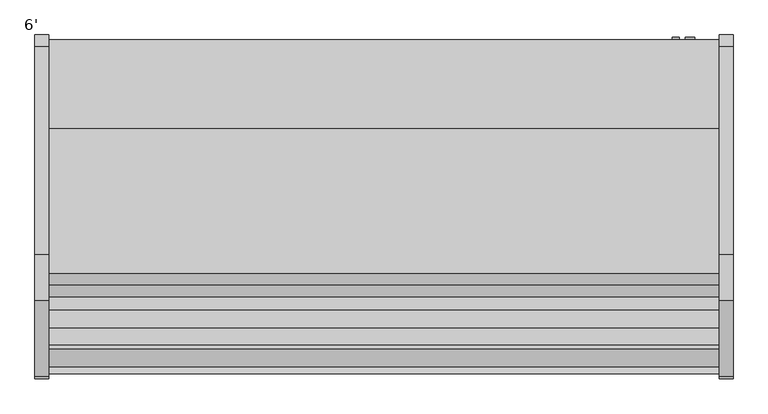
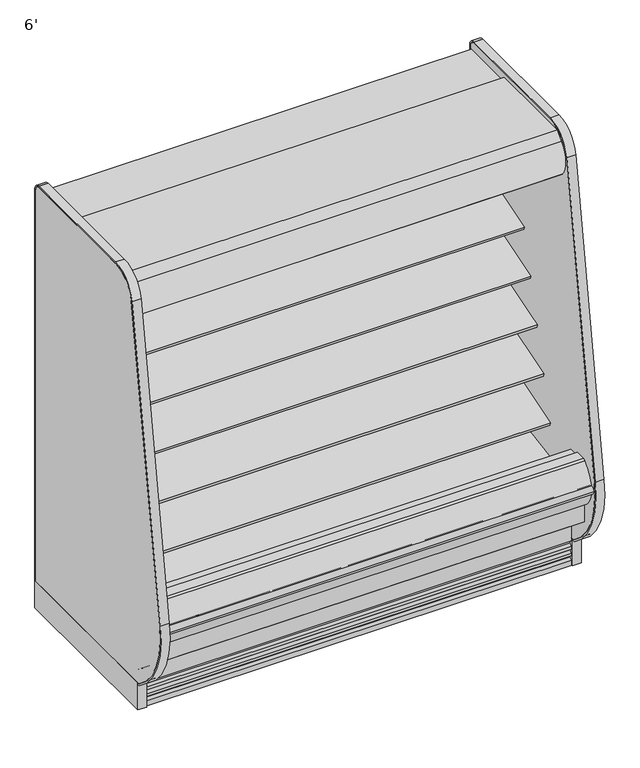
"""IFC4 building model written with IfcOpenShell, lengths in millimetres: proxy geometry, 6'."""

from ifc_helpers import new_model, si_unit, point, frame, frame_2d, origin, origin_with_axes, place, context, project, spatial, polyline, circle_curve, trimmed, segment, composite_curve, outline, extrude, source, transform, mapped, element, save
from ifc_brep_helpers import plane_surface, revolved_surface, advanced_brep


def proxy_6_fe34bb97(model_context):
    return source(origin(), model_context, "Body", "SolidModel", [
        extrude(outline(composite_curve([segment(polyline([(-504.9331995, 1231.4784284), (-504.9331995, 1153.1939633), (-518.2051955, 1148.8882479)]), True, "CONTINUOUS"), segment(trimmed(circle_curve(frame_2d((-526.0433303, 1173.0486213)), 25.4), [point((-518.2051955, 1148.8882479))], [point((-535.5495316, 1149.4945954))], False, "CARTESIAN"), True, "CONTINUOUS"), segment(polyline([(-535.5495316, 1149.4945954), (-556.8449295, 1158.0892339)]), True, "CONTINUOUS"), segment(trimmed(circle_curve(frame_2d((-580.6104329, 1099.2041692)), 63.5), [point((-556.8449295, 1158.0892339))], [point((-591.4790956, 1161.7671149))], True, "CARTESIAN"), True, "CONTINUOUS"), segment(polyline([(-591.4790956, 1161.7671149), (-780.783108, 1128.6709714), (-783.2127521, 1131.5259116), (-840.8364756, 1113.9085713), (-844.9951707, 1127.5110502), (-504.9331995, 1231.4784284)]), True, "CONTINUOUS")], self_intersect=False)), frame((0.0, 0.0, 0.0), z_axis=(1.0, 0.0, 0.0), x_axis=(0.0, 1.0, 0.0)), (0.0, 0.0, 1.0), 1828.8),
        extrude(outline(composite_curve([segment(trimmed(circle_curve(frame_2d((-755.1213828, 1754.6817837)), 14.2875), [point((-740.8338828, 1754.6817837))], [point((-769.4088828, 1754.6817837))], False, "CARTESIAN"), True, "CONTINUOUS"), segment(trimmed(circle_curve(frame_2d((-755.1213828, 1754.6817837)), 14.2875), [point((-769.4088828, 1754.6817837))], [point((-740.8338828, 1754.6817837))], False, "CARTESIAN"), True, "CONTINUOUS")], self_intersect=False)), frame((0.0, 0.0, 0.0), z_axis=(1.0, 0.0, 0.0), x_axis=(0.0, 1.0, 0.0)), (0.0, 0.0, 1.0), 1828.8),
        extrude(outline(polyline([(-734.0000368, 1783.4480074), (-734.0000368, 1781.8605074), (-745.9062868, 1781.8605074), (-781.6250368, 1758.0480074), (-781.6250368, 1781.8605074), (-802.2625368, 1781.8605074), (-802.2625368, 1723.2826254), (-798.9859062, 1707.1532905), (-800.5416293, 1706.8372496), (-803.8500368, 1723.1230074), (-803.8500368, 1783.4480074), (-734.0000368, 1783.4480074)])), frame((0.0, 0.0, 0.0), z_axis=(1.0, 0.0, 0.0), x_axis=(0.0, 1.0, 0.0)), (0.0, 0.0, 1.0), 1828.8),
        extrude(outline(composite_curve([segment(polyline([(-645.2072918, 1887.6264001), (-951.9166873, 1887.6264001), (-951.9166873, 1837.4360001), (-910.7889599, 1837.4360001), (-910.7889599, 1751.481792), (-914.7191706, 1751.481792), (-957.9732964, 1778.3902586), (-1045.9679806, 1778.3902586), (-1051.3862085, 1749.0156271), (-1059.481178, 1742.4581239), (-1061.2400107, 1736.6057625), (-1066.37165, 1728.7312858)]), True, "CONTINUOUS"), segment(trimmed(circle_curve(frame_2d((-1071.317344, 1733.5755629)), 6.9229264), [point((-1066.37165, 1728.7312858))], [point((-1076.4850743, 1728.9688858))], False, "CARTESIAN"), True, "CONTINUOUS"), segment(trimmed(circle_curve(frame_2d((-997.6333247, 1799.2598126)), 105.6333886), [point((-1076.4850743, 1728.9688858))], [point((-1070.6777032, 1875.5679482))], False, "CARTESIAN"), True, "CONTINUOUS"), segment(trimmed(circle_curve(frame_2d((-1536.9601915, 2362.0700675)), 673.8721474), [point((-1070.6777032, 1875.5679482))], [point((-1038.8813513, 1908.174551))], True, "CARTESIAN"), True, "CONTINUOUS"), segment(polyline([(-1038.8813513, 1908.174551), (-645.2072918, 1908.174551), (-645.2072918, 1887.6264001)]), True, "CONTINUOUS")], self_intersect=False)), frame((0.0, 0.0, 0.0), z_axis=(1.0, 0.0, 0.0), x_axis=(0.0, 1.0, 0.0)), (0.0, 0.0, 1.0), 1828.8),
        extrude(outline(polyline([(174.853063, -1017.4589273), (481.100863, -1017.4589273), (481.100863, -1115.8839273), (174.853063, -1115.8839273), (174.853063, -1017.4589273)])), frame((0.0, 0.0, 7.2630602), z_axis=(0.0, 0.0, 1.0), x_axis=(1.0, 0.0, 0.0)), (0.0, 0.0, 1.0), 9.6482401),
        extrude(outline(composite_curve([segment(trimmed(circle_curve(frame_2d((1636.0428976, -1007.9339273)), 12.7), [point((1623.3428976, -1007.9339273))], [point((1648.7428976, -1007.9339273))], False, "CARTESIAN"), True, "CONTINUOUS"), segment(trimmed(circle_curve(frame_2d((1636.0428976, -1007.9339273)), 12.7), [point((1648.7428976, -1007.9339273))], [point((1623.3428976, -1007.9339273))], False, "CARTESIAN"), True, "CONTINUOUS")], self_intersect=False)), frame((0.0, 0.0, 71.1788852), z_axis=(0.0, 0.0, 1.0), x_axis=(1.0, 0.0, 0.0)), (0.0, 0.0, 1.0), 58.9961148),
        extrude(outline(composite_curve([segment(trimmed(circle_curve(frame_2d((1583.7280532, -1007.9339273)), 9.525), [point((1574.2030532, -1007.9339273))], [point((1593.2530532, -1007.9339273))], False, "CARTESIAN"), True, "CONTINUOUS"), segment(trimmed(circle_curve(frame_2d((1583.7280532, -1007.9339273)), 9.525), [point((1593.2530532, -1007.9339273))], [point((1574.2030532, -1007.9339273))], False, "CARTESIAN"), True, "CONTINUOUS")], self_intersect=False)), frame((0.0, 0.0, 71.1788852), z_axis=(0.0, 0.0, 1.0), x_axis=(1.0, 0.0, 0.0)), (0.0, 0.0, 1.0), 58.9961148),
        extrude(outline(composite_curve([segment(trimmed(circle_curve(frame_2d((914.4, -988.8839273)), 38.1), [point((876.3, -988.8839273))], [point((952.5, -988.8839273))], False, "CARTESIAN"), True, "CONTINUOUS"), segment(trimmed(circle_curve(frame_2d((914.4, -988.8839273)), 38.1), [point((952.5, -988.8839273))], [point((876.3, -988.8839273))], False, "CARTESIAN"), True, "CONTINUOUS")], self_intersect=False)), frame((0.0, 0.0, 71.1788852), z_axis=(0.0, 0.0, 1.0), x_axis=(1.0, 0.0, 0.0)), (0.0, 0.0, 1.0), 58.9961148),
        advanced_brep(
        [(1828.8, -1017.4589273, 130.175), (1828.8, -1087.7580824, 130.175), (1828.8, -1115.8839273, 152.8829537), (1828.8, -1115.8839273, 16.9113003), (1828.8, -1017.4589273, 16.9113003), (0.0, -1017.4589273, 130.175), (0.0, -1017.4589273, 16.9113003), (0.0, -1115.8839273, 16.9113003), (0.0, -1115.8839273, 152.8829537), (0.0, -1087.7580824, 130.175), (1659.6240418, -1017.4589273, 130.175), (1559.8259582, -1017.4589273, 130.175), (956.4013021, -1017.4589273, 130.175), (872.3986979, -1017.4589273, 130.175), (872.3986979, -1017.4589273, 16.9113003), (956.4013021, -1017.4589273, 16.9113003), (1559.8259582, -1017.4589273, 16.9113003), (1659.6240418, -1017.4589273, 16.9113003)],
        [
            (0, 1),
            (1, 2),
            (2, 3),
            (3, 4),
            (4, 0),
            (5, 6),
            (6, 7),
            (7, 8),
            (8, 9),
            (9, 5),
            (0, 10),
            (10, 11, circle_curve(frame((1609.725, -1007.9339273, 130.175), z_axis=(0.0, 0.0, -1.0), x_axis=(1.0, 0.0, 0.0)), 50.8)),
            (11, 12),
            (12, 13, circle_curve(frame((914.4, -988.8839273, 130.175), z_axis=(0.0, 0.0, -1.0), x_axis=(1.0, 0.0, 0.0)), 50.8)),
            (13, 5),
            (9, 1),
            (8, 2),
            (3, 7),
            (6, 14),
            (14, 15, circle_curve(frame((914.4, -988.8839273, 16.9113003), z_axis=(0.0, 0.0, 1.0), x_axis=(1.0, 0.0, 0.0)), 50.8)),
            (15, 16),
            (16, 17, circle_curve(frame((1609.725, -1007.9339273, 16.9113003), z_axis=(0.0, 0.0, 1.0), x_axis=(1.0, 0.0, 0.0)), 50.8)),
            (17, 4),
            (17, 10),
            (13, 14),
            (15, 12),
            (11, 16),
        ],
        [
            plane_surface(frame((1828.8, -1087.7580824, 130.175), z_axis=(1.0, 0.0, 0.0), x_axis=(0.0, -1.0, 0.0))),
            plane_surface(frame((0.0, -1087.7580824, 130.175), z_axis=(-1.0, 0.0, 0.0), x_axis=(0.0, 1.0, 0.0))),
            plane_surface(frame((1828.8, -1017.4589273, 130.175), z_axis=(0.0, 0.0, 1.0), x_axis=(-1.0, 0.0, 0.0))),
            plane_surface(frame((1828.8, -1087.7580824, 130.175), z_axis=(0.0, 0.628185164263753, 0.7780638787393499), x_axis=(-1.0, 0.0, 0.0))),
            plane_surface(frame((1828.8, -1115.8839273, 16.9113003), z_axis=(0.0, 0.0, -1.0), x_axis=(-1.0, 0.0, 0.0))),
            plane_surface(frame((1828.8, -1017.4589273, 16.9113003), z_axis=(0.0, 1.0, 0.0), x_axis=(-1.0, 0.0, 0.0))),
            revolved_surface(polyline([(965.1999999999999, -988.8839273, 130.175), (965.1999999999999, -988.8839273, 16.9113003)]), (914.4, -988.8839273, 0.0), (0.0, 0.0, 1.0)),
            revolved_surface(polyline([(1660.5249999999999, -1007.9339273, 130.175), (1660.5249999999999, -1007.9339273, 16.9113003)]), (1609.725, -1007.9339273, 0.0), (0.0, 0.0, 1.0)),
            plane_surface(frame((1828.8, -1115.8839273, 152.8829537), z_axis=(0.0, -1.0, 0.0), x_axis=(-1.0, 0.0, 0.0))),
        ],
        [
            (0, [[1, 2, 3, 4, 5]]),
            (1, [[6, 7, 8, 9, 10]]),
            (2, [[-1, 11, 12, 13, 14, 15, -10, 16]]),
            (3, [[-2, -16, -9, 17]]),
            (4, [[-4, 18, -7, 19, 20, 21, 22, 23]]),
            (5, [[-5, -23, 24, -11]]),
            (5, [[-6, -15, 25, -19]]),
            (5, [[26, -13, 27, -21]]),
            (6, [[-14, -26, -20, -25]]),
            (7, [[-12, -24, -22, -27]]),
            (8, [[-3, -17, -8, -18]]),
        ],
    ),
        advanced_brep(
        [(1828.8, -401.5089273, 0.0), (1828.8, -401.5089273, 130.175), (1828.8, -1017.4589273, 130.175), (1828.8, -1017.4589273, 0.0), (1828.8, -973.8344273, 0.0), (1828.8, -973.8344273, 74.8810382), (1828.8, -446.7209273, 74.8810382), (1828.8, -446.7209273, 0.0), (0.0, -401.5089273, 0.0), (0.0, -446.7209273, 0.0), (0.0, -446.7209273, 74.8810382), (0.0, -973.8344273, 74.8810382), (0.0, -973.8344273, 0.0), (0.0, -1017.4589273, 0.0), (0.0, -1017.4589273, 130.175), (0.0, -401.5089273, 130.175), (872.3986979, -1017.4589273, 130.175), (863.6, -988.8839273, 130.175), (965.2, -988.8839273, 130.175), (956.4013021, -1017.4589273, 130.175), (1559.8259582, -1017.4589273, 130.175), (1558.925, -1007.9339273, 130.175), (1660.525, -1007.9339273, 130.175), (1659.6240418, -1017.4589273, 130.175), (1659.6240418, -1017.4589273, 0.0), (872.3986979, -1017.4589273, 0.0), (956.4013021, -1017.4589273, 0.0), (1559.8259582, -1017.4589273, 0.0), (1660.525, -1007.9339273, 0.0), (1647.3795362, -973.8344273, 0.0), (865.88039, -973.8344273, 0.0), (863.6, -988.8839273, 0.0), (965.2, -988.8839273, 0.0), (962.91961, -973.8344273, 0.0), (1572.0704638, -973.8344273, 0.0), (1558.925, -1007.9339273, 0.0), (1647.3795362, -973.8344273, 74.8810382), (865.88039, -973.8344273, 74.8810382), (962.91961, -973.8344273, 74.8810382), (1572.0704638, -973.8344273, 74.8810382)],
        [
            (0, 1),
            (1, 2),
            (2, 3),
            (3, 4),
            (4, 5),
            (5, 6),
            (6, 7),
            (7, 0),
            (8, 9),
            (9, 10),
            (10, 11),
            (11, 12),
            (12, 13),
            (13, 14),
            (14, 15),
            (15, 8),
            (0, 8),
            (15, 1),
            (14, 16),
            (16, 17, circle_curve(frame((914.4, -988.8839273, 130.175), z_axis=(0.0, 0.0, -1.0), x_axis=(1.0, 0.0, 0.0)), 50.8)),
            (17, 18, circle_curve(frame((914.4, -988.8839273, 130.175), z_axis=(0.0, 0.0, -1.0), x_axis=(1.0, 0.0, 0.0)), 50.8)),
            (18, 19, circle_curve(frame((914.4, -988.8839273, 130.175), z_axis=(0.0, 0.0, -1.0), x_axis=(1.0, 0.0, 0.0)), 50.8)),
            (19, 20),
            (20, 21, circle_curve(frame((1609.725, -1007.9339273, 130.175), z_axis=(0.0, 0.0, -1.0), x_axis=(1.0, 0.0, 0.0)), 50.8)),
            (21, 22, circle_curve(frame((1609.725, -1007.9339273, 130.175), z_axis=(0.0, 0.0, -1.0), x_axis=(1.0, 0.0, 0.0)), 50.8)),
            (22, 23, circle_curve(frame((1609.725, -1007.9339273, 130.175), z_axis=(0.0, 0.0, -1.0), x_axis=(1.0, 0.0, 0.0)), 50.8)),
            (23, 2),
            (23, 24),
            (24, 3),
            (13, 25),
            (25, 16),
            (19, 26),
            (26, 27),
            (27, 20),
            (24, 28, circle_curve(frame((1609.725, -1007.9339273, 0.0), z_axis=(0.0, 0.0, 1.0), x_axis=(1.0, 0.0, 0.0)), 50.8)),
            (28, 29, circle_curve(frame((1609.725, -1007.9339273, 0.0), z_axis=(0.0, 0.0, 1.0), x_axis=(1.0, 0.0, 0.0)), 50.8)),
            (29, 4),
            (12, 30),
            (30, 31, circle_curve(frame((914.4, -988.8839273, 0.0), z_axis=(0.0, 0.0, 1.0), x_axis=(1.0, 0.0, 0.0)), 50.8)),
            (31, 25, circle_curve(frame((914.4, -988.8839273, 0.0), z_axis=(0.0, 0.0, 1.0), x_axis=(1.0, 0.0, 0.0)), 50.8)),
            (26, 32, circle_curve(frame((914.4, -988.8839273, 0.0), z_axis=(0.0, 0.0, 1.0), x_axis=(1.0, 0.0, 0.0)), 50.8)),
            (32, 33, circle_curve(frame((914.4, -988.8839273, 0.0), z_axis=(0.0, 0.0, 1.0), x_axis=(1.0, 0.0, 0.0)), 50.8)),
            (33, 34),
            (34, 35, circle_curve(frame((1609.725, -1007.9339273, 0.0), z_axis=(0.0, 0.0, 1.0), x_axis=(1.0, 0.0, 0.0)), 50.8)),
            (35, 27, circle_curve(frame((1609.725, -1007.9339273, 0.0), z_axis=(0.0, 0.0, 1.0), x_axis=(1.0, 0.0, 0.0)), 50.8)),
            (29, 36),
            (36, 5),
            (11, 37),
            (37, 30),
            (33, 38),
            (38, 39),
            (39, 34),
            (36, 39, circle_curve(frame((1609.725, -1007.9339273, 74.8810382), z_axis=(0.0, 0.0, 1.0), x_axis=(1.0, 0.0, 0.0)), 50.8)),
            (38, 37, circle_curve(frame((914.4, -988.8839273, 74.8810382), z_axis=(0.0, 0.0, 1.0), x_axis=(1.0, 0.0, 0.0)), 50.8)),
            (10, 6),
            (9, 7),
            (18, 32),
            (31, 17),
            (22, 28),
            (35, 21),
        ],
        [
            plane_surface(frame((1828.8, -401.5089273, 1893.5715584), z_axis=(1.0, 0.0, 0.0), x_axis=(0.0, 0.0, 1.0))),
            plane_surface(frame((0.0, -401.5089273, 1893.5715584), z_axis=(-1.0, 0.0, 0.0), x_axis=(0.0, 0.0, -1.0))),
            plane_surface(frame((1828.8, -401.5089273, 0.0), z_axis=(0.0, 1.0, 0.0), x_axis=(-1.0, 0.0, 0.0))),
            plane_surface(frame((1828.8, -401.5089273, 130.175), z_axis=(0.0, 0.0, 1.0), x_axis=(-1.0, 0.0, 0.0))),
            plane_surface(frame((1828.8, -1017.4589273, 130.175), z_axis=(0.0, -1.0, 0.0), x_axis=(-1.0, 0.0, 0.0))),
            plane_surface(frame((1828.8, -1017.4589273, 0.0), z_axis=(0.0, 0.0, -1.0), x_axis=(-1.0, 0.0, 0.0))),
            plane_surface(frame((1828.8, -973.8344273, 0.0), z_axis=(0.0, 1.0, 0.0), x_axis=(-1.0, 0.0, 0.0))),
            plane_surface(frame((1828.8, -973.8344273, 74.8810382), z_axis=(0.0, 0.0, -1.0), x_axis=(-1.0, 0.0, 0.0))),
            plane_surface(frame((1828.8, -446.7209273, 74.8810382), z_axis=(0.0, -1.0, 0.0), x_axis=(-1.0, 0.0, 0.0))),
            plane_surface(frame((1828.8, -446.7209273, 0.0), z_axis=(0.0, 0.0, -1.0), x_axis=(-1.0, 0.0, 0.0))),
            revolved_surface(polyline([(965.1999999999999, -988.8839273, 130.175), (965.1999999999999, -988.8839273, 0.0)]), (914.4, -988.8839273, 0.0), (0.0, 0.0, 1.0)),
            revolved_surface(polyline([(1660.5249999999999, -1007.9339273, 130.175), (1660.5249999999999, -1007.9339273, 0.0)]), (1609.725, -1007.9339273, 0.0), (0.0, 0.0, 1.0)),
        ],
        [
            (0, [[1, 2, 3, 4, 5, 6, 7, 8]]),
            (1, [[9, 10, 11, 12, 13, 14, 15, 16]]),
            (2, [[-1, 17, -16, 18]]),
            (3, [[-2, -18, -15, 19, 20, 21, 22, 23, 24, 25, 26, 27]]),
            (4, [[-3, -27, 28, 29]]),
            (4, [[-14, 30, 31, -19]]),
            (4, [[32, 33, 34, -23]]),
            (5, [[-4, -29, 35, 36, 37]]),
            (5, [[-13, 38, 39, 40, -30]]),
            (5, [[41, 42, 43, 44, 45, -33]]),
            (6, [[-5, -37, 46, 47]]),
            (6, [[-12, 48, 49, -38]]),
            (6, [[50, 51, 52, -43]]),
            (7, [[-6, -47, 53, -51, 54, -48, -11, 55]]),
            (8, [[-7, -55, -10, 56]]),
            (9, [[-8, -56, -9, -17]]),
            (10, [[57, -41, -32, -22]]),
            (10, [[58, -20, -31, -40]]),
            (10, [[-57, -21, -58, -39, -49, -54, -50, -42]]),
            (11, [[59, -35, -28, -26]]),
            (11, [[60, -24, -34, -45]]),
            (11, [[-59, -25, -60, -44, -52, -53, -46, -36]]),
        ],
    ),
        extrude(outline(composite_curve([segment(polyline([(-504.9331995, 698.5637759), (-504.9331995, 620.2793108), (-518.2051955, 615.9735953)]), True, "CONTINUOUS"), segment(trimmed(circle_curve(frame_2d((-526.0433303, 640.1339687)), 25.4), [point((-518.2051955, 615.9735953))], [point((-535.5495316, 616.5799428))], False, "CARTESIAN"), True, "CONTINUOUS"), segment(polyline([(-535.5495316, 616.5799428), (-558.3357517, 627.7682995)]), True, "CONTINUOUS"), segment(trimmed(circle_curve(frame_2d((-569.7928058, 604.43485)), 25.9944985), [point((-558.3357517, 627.7682995))], [point((-574.7613155, 629.9500977))], True, "CARTESIAN"), True, "CONTINUOUS"), segment(polyline([(-574.7613155, 629.9500977), (-831.3116554, 579.9927985), (-834.3085598, 582.9897029), (-986.5773204, 536.436471), (-990.7360155, 550.0389499), (-504.9331995, 698.5637759)]), True, "CONTINUOUS")], self_intersect=False)), frame((0.0, 0.0, 0.0), z_axis=(1.0, 0.0, 0.0), x_axis=(0.0, 1.0, 0.0)), (0.0, 0.0, 1.0), 1828.8),
        extrude(outline(composite_curve([segment(polyline([(-504.9331995, 876.3637759), (-504.9331995, 798.0793108), (-518.2051955, 793.7735953)]), True, "CONTINUOUS"), segment(trimmed(circle_curve(frame_2d((-526.0433303, 817.9339687)), 25.4), [point((-518.2051955, 793.7735953))], [point((-535.5495316, 794.3799428))], False, "CARTESIAN"), True, "CONTINUOUS"), segment(polyline([(-535.5495316, 794.3799428), (-556.8449295, 802.9745814)]), True, "CONTINUOUS"), segment(trimmed(circle_curve(frame_2d((-580.6104329, 744.0895166)), 63.5), [point((-556.8449295, 802.9745814))], [point((-591.4790956, 806.6524623))], True, "CARTESIAN"), True, "CONTINUOUS"), segment(polyline([(-591.4790956, 806.6524623), (-780.783108, 773.5563188), (-783.2127521, 776.4112591), (-937.9970388, 729.0889536), (-942.1557339, 742.6914325), (-504.9331995, 876.3637759)]), True, "CONTINUOUS")], self_intersect=False)), frame((0.0, 0.0, 0.0), z_axis=(1.0, 0.0, 0.0), x_axis=(0.0, 1.0, 0.0)), (0.0, 0.0, 1.0), 1828.8),
        extrude(outline(composite_curve([segment(polyline([(-504.9331995, 1054.1637759), (-504.9331995, 975.8793108), (-518.2051955, 971.5735953)]), True, "CONTINUOUS"), segment(trimmed(circle_curve(frame_2d((-526.0433303, 995.7339687)), 25.4), [point((-518.2051955, 971.5735953))], [point((-535.5495316, 972.1799428))], False, "CARTESIAN"), True, "CONTINUOUS"), segment(polyline([(-535.5495316, 972.1799428), (-556.8449295, 980.7745814)]), True, "CONTINUOUS"), segment(trimmed(circle_curve(frame_2d((-580.6104329, 921.8895166)), 63.5), [point((-556.8449295, 980.7745814))], [point((-591.4790956, 984.4524623))], True, "CARTESIAN"), True, "CONTINUOUS"), segment(polyline([(-591.4790956, 984.4524623), (-780.783108, 951.3563188), (-783.2127521, 954.2112591), (-889.4167572, 921.7414362), (-893.5754523, 935.3439151), (-504.9331995, 1054.1637759)]), True, "CONTINUOUS")], self_intersect=False)), frame((0.0, 0.0, 0.0), z_axis=(1.0, 0.0, 0.0), x_axis=(0.0, 1.0, 0.0)), (0.0, 0.0, 1.0), 1828.8),
        extrude(outline(composite_curve([segment(trimmed(circle_curve(frame_2d((317.5, 1749.2090336)), 12.7), [point((317.5, 1761.9090336))], [point((317.5, 1736.5090336))], False, "CARTESIAN"), True, "CONTINUOUS"), segment(trimmed(circle_curve(frame_2d((317.5, 1749.2090336)), 12.7), [point((317.5, 1736.5090336))], [point((317.5, 1761.9090336))], False, "CARTESIAN"), True, "CONTINUOUS")], self_intersect=False)), frame((0.0, -447.5561252, 0.0), z_axis=(0.0, 1.0, 0.0), x_axis=(0.0, 0.0, 1.0)), (0.0, 0.0, 1.0), 52.3971979),
        extrude(outline(composite_curve([segment(trimmed(circle_curve(frame_2d((317.5, 1710.7972115)), 9.525), [point((317.5, 1720.3222115))], [point((317.5, 1701.2722115))], False, "CARTESIAN"), True, "CONTINUOUS"), segment(trimmed(circle_curve(frame_2d((317.5, 1710.7972115)), 9.525), [point((317.5, 1701.2722115))], [point((317.5, 1720.3222115))], False, "CARTESIAN"), True, "CONTINUOUS")], self_intersect=False)), frame((0.0, -447.5561252, 0.0), z_axis=(0.0, 1.0, 0.0), x_axis=(0.0, 0.0, 1.0)), (0.0, 0.0, 1.0), 52.3971979),
        extrude(outline(composite_curve([segment(polyline([(-451.7851762, 1837.4360001), (-451.7851762, 404.745884), (-504.9331995, 404.745884), (-504.9331995, 1758.0415628)]), True, "CONTINUOUS"), segment(trimmed(circle_curve(frame_2d((-530.3331995, 1758.0415628)), 25.4), [point((-504.9331995, 1758.0415628))], [point((-530.3331995, 1783.4415628))], True, "CARTESIAN"), True, "CONTINUOUS"), segment(polyline([(-530.3331995, 1783.4415628), (-809.1889611, 1783.4415628), (-809.1889611, 1776.8817932), (-910.7889599, 1776.8817932), (-910.7889599, 1837.4360001), (-451.7851762, 1837.4360001)]), True, "CONTINUOUS")], self_intersect=False)), frame((0.0, 0.0, 0.0), z_axis=(1.0, 0.0, 0.0), x_axis=(0.0, 1.0, 0.0)), (0.0, 0.0, 1.0), 1828.8),
        advanced_brep(
        [(1828.8, -1087.7580824, 130.175), (1828.8, -401.5089273, 130.175), (1828.8, -401.5089273, 1887.6264001), (1828.8, -951.9166873, 1887.6264001), (1828.8, -951.9166873, 1837.4360001), (1828.8, -451.7851762, 1837.4360001), (1828.8, -451.7851762, 220.9153254), (1828.8, -907.4980548, 192.4688739), (1828.8, -953.7315308, 153.8351049), (1828.8, -1018.2338414, 151.5826346), (1828.8, -1069.8475697, 188.921294), (1828.8, -1084.4521206, 188.4112919), (1828.8, -1191.9593872, 278.6205996), (1828.8, -1191.9593872, 391.24255), (1828.8, -1241.4639874, 391.24255), (1828.8, -1241.4639874, 254.2724833), (0.0, -1087.7580824, 130.175), (0.0, -1241.4639874, 254.2724833), (0.0, -1241.4639874, 391.24255), (0.0, -1191.9593872, 391.24255), (0.0, -1191.9593872, 278.6205996), (0.0, -1084.4521206, 188.4112919), (0.0, -1069.8475697, 188.921294), (0.0, -1018.2338414, 151.5826346), (0.0, -953.7315308, 153.8351049), (0.0, -907.4980548, 192.4688739), (0.0, -451.7851762, 220.9153254), (0.0, -451.7851762, 1837.4360001), (0.0, -951.9166873, 1837.4360001), (0.0, -951.9166873, 1887.6264001), (0.0, -401.5089273, 1887.6264001), (0.0, -401.5089273, 130.175), (1727.2, -447.5561252, 266.7), (1727.2, -447.5561252, 368.3), (1727.2, -401.5089273, 368.3), (1727.2, -401.5089273, 266.7)],
        [
            (0, 1),
            (1, 2),
            (2, 3),
            (3, 4),
            (4, 5),
            (5, 6),
            (6, 7),
            (7, 8),
            (8, 9),
            (9, 10),
            (10, 11),
            (11, 12),
            (12, 13),
            (13, 14),
            (14, 15),
            (15, 0),
            (16, 17),
            (17, 18),
            (18, 19),
            (19, 20),
            (20, 21),
            (21, 22),
            (22, 23),
            (23, 24),
            (24, 25),
            (25, 26),
            (26, 27),
            (27, 28),
            (28, 29),
            (29, 30),
            (30, 31),
            (31, 16),
            (32, 33, circle_curve(frame((1727.2, -447.5561252, 317.5), z_axis=(0.0, 1.0, 0.0), x_axis=(0.0, 0.0, 1.0)), 50.8)),
            (33, 32, circle_curve(frame((1727.2, -447.5561252, 317.5), z_axis=(0.0, 1.0, 0.0), x_axis=(0.0, 0.0, 1.0)), 50.8)),
            (33, 34),
            (34, 35, circle_curve(frame((1727.2, -401.5089273, 317.5), z_axis=(0.0, 1.0, 0.0), x_axis=(0.0, 0.0, 1.0)), 50.8)),
            (35, 32),
            (35, 34, circle_curve(frame((1727.2, -401.5089273, 317.5), z_axis=(0.0, 1.0, 0.0), x_axis=(0.0, 0.0, 1.0)), 50.8)),
            (0, 16),
            (31, 1),
            (30, 2),
            (29, 3),
            (28, 4),
            (27, 5),
            (26, 6),
            (25, 7),
            (12, 20),
            (19, 13),
            (18, 14),
            (17, 15),
            (24, 8),
            (23, 9),
            (22, 10),
            (21, 11),
        ],
        [
            plane_surface(frame((1828.8, -401.5089273, 130.175), z_axis=(1.0, 0.0, 0.0), x_axis=(0.0, 1.0, 0.0))),
            plane_surface(frame((0.0, -401.5089273, 130.175), z_axis=(-1.0, 0.0, 0.0), x_axis=(0.0, -1.0, 0.0))),
            plane_surface(frame((1727.2, -447.5561252, 368.3), z_axis=(0.0, 1.0, 0.0), x_axis=(-1.0, 0.0, 0.0))),
            revolved_surface(polyline([(1727.2, -447.5561252, 368.3), (1727.2, -401.5089273, 368.3)]), (1727.2, -401.5089273, 317.5), (0.0, -1.0, 0.0)),
            plane_surface(frame((1828.8, -1087.7580824, 130.175), z_axis=(0.0, 0.0, -1.0), x_axis=(-1.0, 0.0, 0.0))),
            plane_surface(frame((1828.8, -401.5089273, 130.175), z_axis=(0.0, 1.0, 0.0), x_axis=(-1.0, 0.0, 0.0))),
            plane_surface(frame((1828.8, -401.5089273, 1887.6264001), z_axis=(0.0, 0.0, 1.0), x_axis=(-1.0, 0.0, 0.0))),
            plane_surface(frame((1828.8, -951.9166873, 1887.6264001), z_axis=(0.0, -1.0, 0.0), x_axis=(-1.0, 0.0, 0.0))),
            plane_surface(frame((1828.8, -951.9166873, 1837.4360001), z_axis=(0.0, 0.0, -1.0), x_axis=(-1.0, 0.0, 0.0))),
            plane_surface(frame((1828.8, -451.7851762, 1837.4360001), z_axis=(0.0, -1.0, 0.0), x_axis=(-1.0, 0.0, 0.0))),
            plane_surface(frame((1828.8, -451.7851762, 220.9153254), z_axis=(0.0, -0.06230061419367981, 0.9980574299463385), x_axis=(-1.0, 0.0, 0.0))),
            plane_surface(frame((1828.8, -1191.9593872, 278.6205996), z_axis=(0.0, 1.0, 0.0), x_axis=(-1.0, 0.0, 0.0))),
            plane_surface(frame((1828.8, -1191.9593872, 391.24255), z_axis=(0.0, 0.0, 1.0), x_axis=(-1.0, 0.0, 0.0))),
            plane_surface(frame((1828.8, -1241.4639874, 391.24255), z_axis=(0.0, -1.0, 0.0), x_axis=(-1.0, 0.0, 0.0))),
            plane_surface(frame((1828.8, -1241.4639874, 254.2724833), z_axis=(0.0, -0.628185164263745, -0.7780638787393563), x_axis=(-1.0, 0.0, 0.0))),
            plane_surface(frame((1828.8, -907.4980548, 192.4688739), z_axis=(0.0, -0.6412208566385623, 0.7673563794037999), x_axis=(-1.0, 0.0, 0.0))),
            plane_surface(frame((1828.8, -953.7315308, 153.8351049), z_axis=(0.0, -0.03489949670243331, 0.9993908270190981), x_axis=(-1.0, 0.0, 0.0))),
            plane_surface(frame((1828.8, -1018.2338414, 151.5826346), z_axis=(0.0, 0.5861307997256778, 0.810216443682142), x_axis=(-1.0, 0.0, 0.0))),
            plane_surface(frame((1828.8, -1069.8475697, 188.921294), z_axis=(0.0, -0.03489949670351323, 0.9993908270190605), x_axis=(-1.0, 0.0, 0.0))),
            plane_surface(frame((1828.8, -1084.4521206, 188.4112919), z_axis=(0.0, 0.6427876096870777, 0.7660444431185264), x_axis=(-1.0, 0.0, 0.0))),
        ],
        [
            (0, [[1, 2, 3, 4, 5, 6, 7, 8, 9, 10, 11, 12, 13, 14, 15, 16]]),
            (1, [[17, 18, 19, 20, 21, 22, 23, 24, 25, 26, 27, 28, 29, 30, 31, 32]]),
            (2, [[33, 34]]),
            (3, [[-34, 35, 36, 37]]),
            (3, [[-33, -37, 38, -35]]),
            (4, [[-1, 39, -32, 40]]),
            (5, [[-2, -40, -31, 41], [-36, -38]]),
            (6, [[-3, -41, -30, 42]]),
            (7, [[-4, -42, -29, 43]]),
            (8, [[-5, -43, -28, 44]]),
            (9, [[-6, -44, -27, 45]]),
            (10, [[-7, -45, -26, 46]]),
            (11, [[-13, 47, -20, 48]]),
            (12, [[-14, -48, -19, 49]]),
            (13, [[-15, -49, -18, 50]]),
            (14, [[-16, -50, -17, -39]]),
            (15, [[-8, -46, -25, 51]]),
            (16, [[-9, -51, -24, 52]]),
            (17, [[-10, -52, -23, 53]]),
            (18, [[-11, -53, -22, 54]]),
            (19, [[-12, -54, -21, -47]]),
        ],
    ),
        extrude(outline(composite_curve([segment(polyline([(-1139.9331995, 376.9165628), (-1088.1875931, 376.9165628), (-1084.249805, 378.3216284), (-610.6406734, 456.5929299), (-610.1926758, 450.1862651), (-516.7472923, 456.7206028)]), True, "CONTINUOUS"), segment(trimmed(circle_curve(frame_2d((-517.6331995, 469.3896663)), 12.7), [point((-516.7472923, 456.7206028))], [point((-504.9331995, 469.3896663))], True, "CARTESIAN"), True, "CONTINUOUS"), segment(polyline([(-504.9331995, 469.3896663), (-504.9331995, 404.745884), (-451.7851762, 404.745884), (-451.7851762, 220.9153254), (-907.4980548, 192.4688739), (-953.7315308, 153.8351049), (-1018.2338414, 151.5826346), (-1069.8475697, 188.921294), (-1084.4521206, 188.4112919), (-1191.9593872, 278.6205996), (-1191.9593872, 521.2079999), (-1139.9331995, 521.2079999), (-1139.9331995, 376.9165628)]), True, "CONTINUOUS")], self_intersect=False)), frame((0.0, 0.0, 0.0), z_axis=(1.0, 0.0, 0.0), x_axis=(0.0, 1.0, 0.0)), (0.0, 0.0, 1.0), 1828.8),
        extrude(outline(polyline([(1828.8, -809.1889611), (1828.8, -910.7889599), (0.0, -910.7889599), (0.0, -809.1889611), (1828.8, -809.1889611)])), frame((0.0, 0.0, 1751.481792), z_axis=(0.0, 0.0, 1.0), x_axis=(1.0, 0.0, 0.0)), (0.0, 0.0, 1.0), 25.4000011),
        extrude(outline(composite_curve([segment(trimmed(circle_curve(frame_2d((-1019.8653186, 1751.3133542)), 14.2875), [point((-1034.1528186, 1751.3133542))], [point((-1005.5778186, 1751.3133542))], False, "CARTESIAN"), True, "CONTINUOUS"), segment(trimmed(circle_curve(frame_2d((-1019.8653186, 1751.3133542)), 14.2875), [point((-1005.5778186, 1751.3133542))], [point((-1034.1528186, 1751.3133542))], False, "CARTESIAN"), True, "CONTINUOUS")], self_intersect=False)), frame((0.0, 0.0, 0.0), z_axis=(1.0, 0.0, 0.0), x_axis=(0.0, 1.0, 0.0)), (0.0, 0.0, 1.0), 1828.8),
        extrude(outline(composite_curve([segment(trimmed(circle_curve(frame_2d((-976.1825309, 1751.3133542)), 14.2875), [point((-990.4700309, 1751.3133542))], [point((-961.8950309, 1751.3133542))], False, "CARTESIAN"), True, "CONTINUOUS"), segment(trimmed(circle_curve(frame_2d((-976.1825309, 1751.3133542)), 14.2875), [point((-961.8950309, 1751.3133542))], [point((-990.4700309, 1751.3133542))], False, "CARTESIAN"), True, "CONTINUOUS")], self_intersect=False)), frame((0.0, 0.0, 0.0), z_axis=(1.0, 0.0, 0.0), x_axis=(0.0, 1.0, 0.0)), (0.0, 0.0, 1.0), 1828.8),
        extrude(outline(polyline([(-524.5538195, 1504.4404382), (-699.0292362, 1749.045951), (-692.6360518, 1751.0180598), (-519.384186, 1508.127902), (-524.5538195, 1504.4404382)])), frame((0.0, 0.0, 0.0), z_axis=(1.0, 0.0, 0.0), x_axis=(0.0, 1.0, 0.0)), (0.0, 0.0, 1.0), 1828.8),
        extrude(outline(composite_curve([segment(polyline([(-504.9331995, 1528.8244166), (-504.9331995, 1490.7251669)]), True, "CONTINUOUS"), segment(trimmed(circle_curve(frame_2d((-507.7906995, 1490.7251669)), 2.8575), [point((-504.9331995, 1490.7251669))], [point((-506.6741853, 1488.0948242))], False, "CARTESIAN"), True, "CONTINUOUS"), segment(polyline([(-506.6741853, 1488.0948242), (-515.7704668, 1484.2336819)]), True, "CONTINUOUS"), segment(trimmed(circle_curve(frame_2d((-516.8869809, 1486.8640245)), 2.8575), [point((-515.7704668, 1484.2336819))], [point((-519.4330321, 1485.5667466))], False, "CARTESIAN"), True, "CONTINUOUS"), segment(polyline([(-519.4330321, 1485.5667466), (-527.3608411, 1501.125948)]), True, "CONTINUOUS"), segment(trimmed(circle_curve(frame_2d((-526.2292629, 1501.7025159)), 1.27), [point((-527.3608411, 1501.125948))], [point((-526.8058308, 1502.8340942))], False, "CARTESIAN"), True, "CONTINUOUS"), segment(polyline([(-526.8058308, 1502.8340942), (-519.384186, 1508.127902), (-507.5996446, 1491.6065843), (-506.2031995, 1490.7251669), (-506.2031995, 1528.8244166), (-504.9331995, 1528.8244166)]), True, "CONTINUOUS")], self_intersect=False)), frame((0.0, 0.0, 0.0), z_axis=(1.0, 0.0, 0.0), x_axis=(0.0, 1.0, 0.0)), (0.0, 0.0, 1.0), 1828.8),
        extrude(outline(composite_curve([segment(polyline([(-697.0188534, 1757.162521), (-692.6360518, 1751.0180598), (-701.6311946, 1748.2433237)]), True, "CONTINUOUS"), segment(trimmed(circle_curve(frame_2d((-702.2914708, 1750.3838079)), 2.2400083), [point((-701.6311946, 1748.2433237))], [point((-703.4764456, 1748.4828943))], False, "CARTESIAN"), True, "CONTINUOUS"), segment(polyline([(-703.4764456, 1748.4828943), (-727.5060675, 1782.1711818), (-733.570953, 1782.1711818), (-733.570953, 1783.4411818), (-727.5060675, 1783.4411818)]), True, "CONTINUOUS"), segment(trimmed(circle_curve(frame_2d((-727.5060675, 1782.1711818)), 1.27), [point((-727.5060675, 1783.4411818))], [point((-726.4721408, 1782.9086746))], False, "CARTESIAN"), True, "CONTINUOUS"), segment(polyline([(-726.4721408, 1782.9086746), (-714.3244423, 1765.8782294), (-704.636549, 1772.7885365)]), True, "CONTINUOUS"), segment(trimmed(circle_curve(frame_2d((-703.8990563, 1771.7546097)), 1.27), [point((-704.636549, 1772.7885365))], [point((-702.8651296, 1772.4921025))], False, "CARTESIAN"), True, "CONTINUOUS"), segment(polyline([(-702.8651296, 1772.4921025), (-693.6464701, 1759.5680186), (-697.0188534, 1757.162521)]), True, "CONTINUOUS")], self_intersect=False)), frame((0.0, 0.0, 0.0), z_axis=(1.0, 0.0, 0.0), x_axis=(0.0, 1.0, 0.0)), (0.0, 0.0, 1.0), 1828.8),
        extrude(outline(composite_curve([segment(polyline([(-504.9331995, 1409.2784284), (-504.9331995, 1330.5086159), (-518.2051955, 1326.2029004)]), True, "CONTINUOUS"), segment(trimmed(circle_curve(frame_2d((-526.0433303, 1350.3632738)), 25.4), [point((-518.2051955, 1326.2029004))], [point((-535.5495316, 1326.8092479))], False, "CARTESIAN"), True, "CONTINUOUS"), segment(polyline([(-535.5495316, 1326.8092479), (-556.8449295, 1335.4038865)]), True, "CONTINUOUS"), segment(trimmed(circle_curve(frame_2d((-580.6104329, 1276.5188217)), 63.5), [point((-556.8449295, 1335.4038865))], [point((-591.4790956, 1339.0817674))], True, "CARTESIAN"), True, "CONTINUOUS"), segment(polyline([(-591.4790956, 1339.0817674), (-731.8999615, 1314.8919145), (-738.7354966, 1322.9239732), (-792.256194, 1306.5610539), (-796.4148891, 1320.1635328), (-504.9331995, 1409.2784284)]), True, "CONTINUOUS")], self_intersect=False)), frame((0.0, 0.0, 0.0), z_axis=(1.0, 0.0, 0.0), x_axis=(0.0, 1.0, 0.0)), (0.0, 0.0, 1.0), 1828.8),
        extrude(outline(composite_curve([segment(trimmed(circle_curve(frame_2d((-1295.4698501, 431.8)), 17.2640772), [point((-1312.7339273, 431.8))], [point((-1278.2057729, 431.8))], False, "CARTESIAN"), True, "CONTINUOUS"), segment(trimmed(circle_curve(frame_2d((-1295.4698501, 431.8)), 17.2640772), [point((-1278.2057729, 431.8))], [point((-1312.7339273, 431.8))], False, "CARTESIAN"), True, "CONTINUOUS")], self_intersect=False)), frame((0.0, 0.0, 0.0), z_axis=(1.0, 0.0, 0.0), x_axis=(0.0, 1.0, 0.0)), (0.0, 0.0, 1.0), 1828.8),
        extrude(outline(composite_curve([segment(polyline([(-1188.2747913, 521.2079999), (-1191.9593872, 521.2079999), (-1191.9593872, 391.24255), (-1241.4639874, 391.24255), (-1241.4639874, 350.0194213), (-1265.9341168, 350.0194213)]), True, "CONTINUOUS"), segment(trimmed(circle_curve(frame_2d((-1170.707609, 434.0486555)), 126.9999999), [point((-1265.9341168, 350.0194213))], [point((-1296.202068, 414.5514575))], False, "CARTESIAN"), True, "CONTINUOUS"), segment(trimmed(circle_curve(frame_2d((-1295.4698501, 431.8)), 17.2640772), [point((-1296.202068, 414.5514575))], [point((-1278.2057729, 431.8))], True, "CARTESIAN"), True, "CONTINUOUS"), segment(trimmed(circle_curve(frame_2d((-1295.4698501, 431.8)), 17.2640772), [point((-1278.2057729, 431.8))], [point((-1295.2903371, 449.0631439))], True, "CARTESIAN"), True, "CONTINUOUS"), segment(trimmed(circle_curve(frame_2d((-1123.8462796, 402.089233)), 177.7628003), [point((-1295.2903371, 449.0631439))], [point((-1244.6289384, 532.5160803))], False, "CARTESIAN"), True, "CONTINUOUS"), segment(trimmed(circle_curve(frame_2d((-1233.7721419, 520.7923962)), 15.9785731), [point((-1244.6289384, 532.5160803))], [point((-1233.8677913, 536.770683))], False, "CARTESIAN"), True, "CONTINUOUS"), segment(polyline([(-1233.8677913, 536.770683), (-1188.2747913, 536.770683), (-1188.2747913, 521.2079999)]), True, "CONTINUOUS")], self_intersect=False)), frame((0.0, 0.0, 0.0), z_axis=(1.0, 0.0, 0.0), x_axis=(0.0, 1.0, 0.0)), (0.0, 0.0, 1.0), 1828.8),
        extrude(outline(composite_curve([segment(polyline([(-1115.8839273, 152.8829537), (-1115.8839273, 0.0), (-1147.6339273, 0.0), (-1147.6339273, 21.669938)]), True, "CONTINUOUS"), segment(trimmed(circle_curve(frame_2d((-1148.3535668, 35.0997821)), 13.4491113), [point((-1147.6339273, 21.669938))], [point((-1135.5236279, 31.0660168))], True, "CARTESIAN"), True, "CONTINUOUS"), segment(polyline([(-1135.5236279, 31.0660168), (-1133.2133599, 40.2067021), (-1145.1701446, 40.2067021), (-1145.1701446, 52.9067021)]), True, "CONTINUOUS"), segment(trimmed(circle_curve(frame_2d((-1149.5880124, 66.4088493)), 14.2065314), [point((-1145.1701446, 52.9067021))], [point((-1136.0281464, 62.1714479))], True, "CARTESIAN"), True, "CONTINUOUS"), segment(polyline([(-1136.0281464, 62.1714479), (-1133.2133599, 71.1788852), (-1145.1701446, 71.1788852), (-1145.1701446, 83.8788852)]), True, "CONTINUOUS"), segment(trimmed(circle_curve(frame_2d((-1149.6603877, 97.4524489)), 14.2969897), [point((-1145.1701446, 83.8788852))], [point((-1136.0281464, 93.143631))], True, "CARTESIAN"), True, "CONTINUOUS"), segment(polyline([(-1136.0281464, 93.143631), (-1132.5390493, 104.1824391), (-1132.5390493, 107.8329403), (-1145.4066893, 107.8329403), (-1145.4066893, 176.7187358), (-1115.8839273, 152.8829537)]), True, "CONTINUOUS")], self_intersect=False)), frame((0.0, 0.0, 0.0), z_axis=(1.0, 0.0, 0.0), x_axis=(0.0, 1.0, 0.0)), (0.0, 0.0, 1.0), 1828.8),
        extrude(outline(composite_curve([segment(polyline([(-987.339716, 1924.84248), (-420.5589273, 1924.84248)]), True, "CONTINUOUS"), segment(trimmed(circle_curve(frame_2d((-420.5589273, 1899.44248)), 25.4), [point((-420.5589273, 1924.84248))], [point((-395.1589273, 1899.44248))], False, "CARTESIAN"), True, "CONTINUOUS"), segment(polyline([(-395.1589273, 1899.44248), (-395.1589273, 123.825), (-1163.7666142, 123.825)]), True, "CONTINUOUS"), segment(trimmed(circle_curve(frame_2d((-963.0548561, 419.7457292)), 357.5671795), [point((-1163.7666142, 123.825))], [point((-1315.3485172, 480.9295848))], False, "CARTESIAN"), True, "CONTINUOUS"), segment(polyline([(-1315.3485172, 480.9295848), (-1106.2103301, 1824.8370822)]), True, "CONTINUOUS"), segment(trimmed(circle_curve(frame_2d((-987.339716, 1804.19248)), 120.65), [point((-1106.2103301, 1824.8370822))], [point((-987.339716, 1924.84248))], False, "CARTESIAN"), True, "CONTINUOUS")], self_intersect=False)), frame((-38.1, 0.0, 0.0), z_axis=(1.0, 0.0, 0.0), x_axis=(0.0, 1.0, 0.0)), (0.0, 0.0, 1.0), 38.1),
        extrude(outline(composite_curve([segment(trimmed(circle_curve(frame_2d((-420.5589273, 1899.44248)), 31.75), [point((-420.5589273, 1931.19248))], [point((-388.8089273, 1899.44248))], False, "CARTESIAN"), True, "CONTINUOUS"), segment(polyline([(-388.8089273, 1899.44248), (-388.8089273, 123.825), (-395.1589273, 123.825), (-395.1589273, 1899.44248)]), True, "CONTINUOUS"), segment(trimmed(circle_curve(frame_2d((-420.5589273, 1899.44248)), 25.4), [point((-395.1589273, 1899.44248))], [point((-420.5589273, 1924.84248))], True, "CARTESIAN"), True, "CONTINUOUS"), segment(polyline([(-420.5589273, 1924.84248), (-987.339716, 1924.84248)]), True, "CONTINUOUS"), segment(trimmed(circle_curve(frame_2d((-987.339716, 1804.19248)), 120.65), [point((-987.339716, 1924.84248))], [point((-1106.2103301, 1824.8370822))], True, "CARTESIAN"), True, "CONTINUOUS"), segment(polyline([(-1106.2103301, 1824.8370822), (-1315.3485172, 480.9295848)]), True, "CONTINUOUS"), segment(trimmed(circle_curve(frame_2d((-963.0548561, 419.7457292)), 357.5671795), [point((-1315.3485172, 480.9295848))], [point((-1163.7666142, 123.825))], True, "CARTESIAN"), True, "CONTINUOUS"), segment(polyline([(-1163.7666142, 123.825), (-1153.7579456, 123.825), (-1153.7579456, 117.475), (-1165.7075633, 117.475)]), True, "CONTINUOUS"), segment(trimmed(circle_curve(frame_2d((-963.0548561, 419.7457292)), 363.9171795), [point((-1165.7075633, 117.475))], [point((-1321.6048653, 482.0161428))], False, "CARTESIAN"), True, "CONTINUOUS"), segment(polyline([(-1321.6048653, 482.0161428), (-1112.4666782, 1825.9236402)]), True, "CONTINUOUS"), segment(trimmed(circle_curve(frame_2d((-987.339716, 1804.19248)), 127.0), [point((-1112.4666782, 1825.9236402))], [point((-987.339716, 1931.19248))], False, "CARTESIAN"), True, "CONTINUOUS"), segment(polyline([(-987.339716, 1931.19248), (-420.5589273, 1931.19248)]), True, "CONTINUOUS")], self_intersect=False)), frame((-38.1, 0.0, 0.0), z_axis=(1.0, 0.0, 0.0), x_axis=(0.0, 1.0, 0.0)), (0.0, 0.0, 1.0), 38.1),
        extrude(outline(polyline([(0.0, -388.8089273), (0.0, -1153.7579456), (-38.1, -1153.7579456), (-38.1, -388.8089273), (0.0, -388.8089273)])), origin_with_axes(), (0.0, 0.0, 1.0), 123.825),
        extrude(outline(composite_curve([segment(polyline([(-987.339716, 1924.84248), (-420.5589273, 1924.84248)]), True, "CONTINUOUS"), segment(trimmed(circle_curve(frame_2d((-420.5589273, 1899.44248)), 25.4), [point((-420.5589273, 1924.84248))], [point((-395.1589273, 1899.44248))], False, "CARTESIAN"), True, "CONTINUOUS"), segment(polyline([(-395.1589273, 1899.44248), (-395.1589273, 123.825), (-1163.7666142, 123.825)]), True, "CONTINUOUS"), segment(trimmed(circle_curve(frame_2d((-963.0548561, 419.7457292)), 357.5671795), [point((-1163.7666142, 123.825))], [point((-1315.3485172, 480.9295848))], False, "CARTESIAN"), True, "CONTINUOUS"), segment(polyline([(-1315.3485172, 480.9295848), (-1106.2103301, 1824.8370822)]), True, "CONTINUOUS"), segment(trimmed(circle_curve(frame_2d((-987.339716, 1804.19248)), 120.65), [point((-1106.2103301, 1824.8370822))], [point((-987.339716, 1924.84248))], False, "CARTESIAN"), True, "CONTINUOUS")], self_intersect=False)), frame((1828.8, 0.0, 0.0), z_axis=(1.0, 0.0, 0.0), x_axis=(0.0, 1.0, 0.0)), (0.0, 0.0, 1.0), 38.1),
        extrude(outline(composite_curve([segment(trimmed(circle_curve(frame_2d((-420.5589273, 1899.44248)), 31.75), [point((-420.5589273, 1931.19248))], [point((-388.8089273, 1899.44248))], False, "CARTESIAN"), True, "CONTINUOUS"), segment(polyline([(-388.8089273, 1899.44248), (-388.8089273, 123.825), (-395.1589273, 123.825), (-395.1589273, 1899.44248)]), True, "CONTINUOUS"), segment(trimmed(circle_curve(frame_2d((-420.5589273, 1899.44248)), 25.4), [point((-395.1589273, 1899.44248))], [point((-420.5589273, 1924.84248))], True, "CARTESIAN"), True, "CONTINUOUS"), segment(polyline([(-420.5589273, 1924.84248), (-987.339716, 1924.84248)]), True, "CONTINUOUS"), segment(trimmed(circle_curve(frame_2d((-987.339716, 1804.19248)), 120.65), [point((-987.339716, 1924.84248))], [point((-1106.2103301, 1824.8370822))], True, "CARTESIAN"), True, "CONTINUOUS"), segment(polyline([(-1106.2103301, 1824.8370822), (-1315.3485172, 480.9295848)]), True, "CONTINUOUS"), segment(trimmed(circle_curve(frame_2d((-963.0548561, 419.7457292)), 357.5671795), [point((-1315.3485172, 480.9295848))], [point((-1163.7666142, 123.825))], True, "CARTESIAN"), True, "CONTINUOUS"), segment(polyline([(-1163.7666142, 123.825), (-1153.7579456, 123.825), (-1153.7579456, 117.475), (-1165.7075633, 117.475)]), True, "CONTINUOUS"), segment(trimmed(circle_curve(frame_2d((-963.0548561, 419.7457292)), 363.9171795), [point((-1165.7075633, 117.475))], [point((-1321.6048653, 482.0161428))], False, "CARTESIAN"), True, "CONTINUOUS"), segment(polyline([(-1321.6048653, 482.0161428), (-1112.4666782, 1825.9236402)]), True, "CONTINUOUS"), segment(trimmed(circle_curve(frame_2d((-987.339716, 1804.19248)), 127.0), [point((-1112.4666782, 1825.9236402))], [point((-987.339716, 1931.19248))], False, "CARTESIAN"), True, "CONTINUOUS"), segment(polyline([(-987.339716, 1931.19248), (-420.5589273, 1931.19248)]), True, "CONTINUOUS")], self_intersect=False)), frame((1828.8, 0.0, 0.0), z_axis=(1.0, 0.0, 0.0), x_axis=(0.0, 1.0, 0.0)), (0.0, 0.0, 1.0), 38.1),
        extrude(outline(polyline([(1866.9, -388.8089273), (1866.9, -1153.7579456), (1828.8, -1153.7579456), (1828.8, -388.8089273), (1866.9, -388.8089273)])), origin_with_axes(), (0.0, 0.0, 1.0), 123.825),
    ])


if __name__ == "__main__":
    model = new_model("IFC4")
    model_context = context("Model", 3, world=origin())
    ifc_project = project(units=[si_unit("LENGTHUNIT", "METRE", prefix="MILLI")], contexts=[model_context])
    site = spatial("IfcSite", under=ifc_project)
    building = spatial("IfcBuilding", under=site)
    placement = place(None, origin())
    proxy_6_shape = proxy_6_fe34bb97(model_context)
    element("IfcBuildingElementProxy", 1, Name="6'", ObjectType="6'", at=placement, inside=building, context=model_context, shape_type="MappedRepresentation", body=[
        mapped(proxy_6_shape, transform((0.0, 0.0, 0.0), x_axis=(1.0, 0.0, 0.0), y_axis=(0.0, 1.0, 0.0), z_axis=(0.0, 0.0, 1.0))),
    ])
    save(model, "model.ifc")
